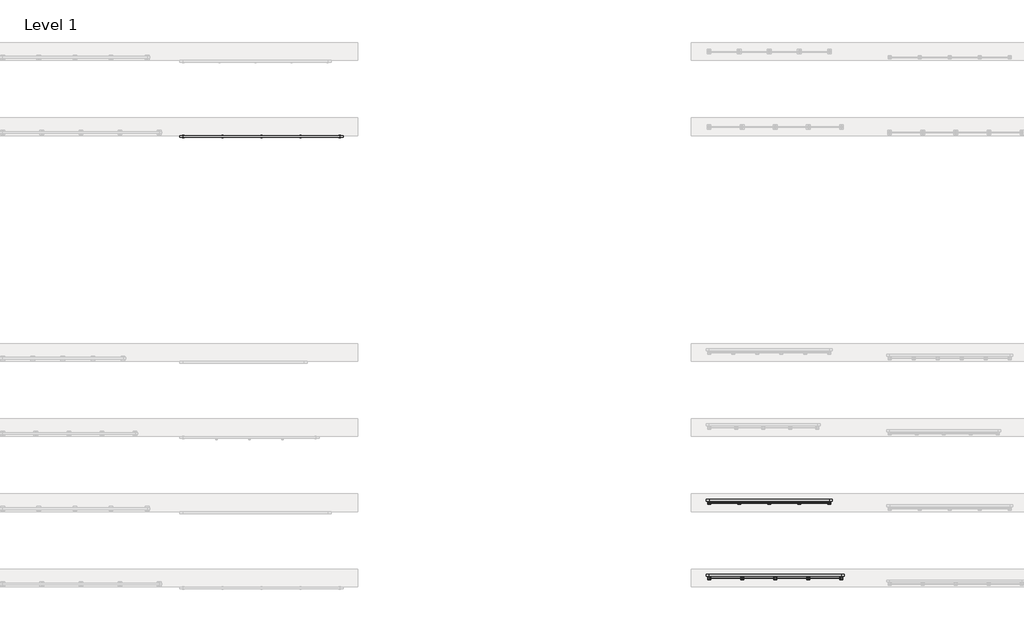
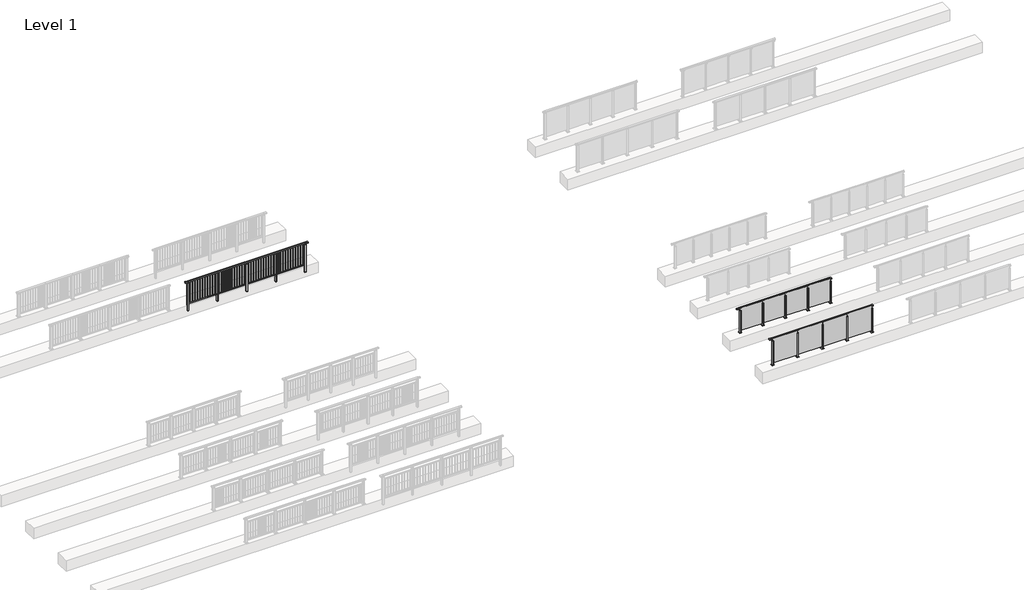
# One storey, part 9 of 38: 3 railings.
"""IFC4 building model written with IfcOpenShell, lengths in millimetres."""

from ifc_helpers import new_model, si_unit, point, frame, frame_2d, origin, origin_with_axes, place, context, project, spatial, polyline, circle_curve, trimmed, segment, composite_curve, outline, extrude, faceted_brep, element, save

model = new_model("IFC4")

# Units and contexts
model_context = context("Model", 3, world=origin())
ifc_project = project(units=[si_unit("LENGTHUNIT", "METRE", prefix="MILLI")], contexts=[model_context])

# Site, building, storey
site = spatial("IfcSite", under=ifc_project)
building = spatial("IfcBuilding", under=site)
storey = spatial("IfcBuildingStorey", under=building, Name="Level 1", Elevation=0.0)

# Railings
placement = place(None, origin())
element("IfcRailing", 1, at=placement, inside=storey, context=model_context, shape_type="SolidModel", body=[
    faceted_brep([(12000.0, 14897.6846828, 1102.5), (12000.0, 14897.6846828, 1150.0), (17200.0, 14897.6846828, 1150.0), (17200.0, 14897.6846828, 1102.5), (12000.0, 14837.6846828, 1102.5), (17200.0, 14837.6846828, 1102.5), (12000.0, 14837.6846828, 1150.0), (17200.0, 14837.6846828, 1150.0), (11877.0, 14897.6846828, 1150.0), (11877.0, 14897.6846828, 1102.5), (11877.0, 14837.6846828, 1102.5), (11877.0, 14837.6846828, 1150.0), (17323.0, 14897.6846828, 1150.0), (17323.0, 14837.6846828, 1150.0), (17323.0, 14837.6846828, 1102.5), (17323.0, 14897.6846828, 1102.5)], [[[0, 1, 2, 3]], [[4, 0, 3, 5]], [[6, 4, 5, 7]], [[1, 6, 7, 2]], [[8, 9, 10, 11]], [[9, 8, 1, 0]], [[10, 9, 0, 4]], [[11, 10, 4, 6]], [[8, 11, 6, 1]], [[12, 13, 14, 15]], [[3, 2, 12, 15]], [[5, 3, 15, 14]], [[7, 5, 14, 13]], [[2, 7, 13, 12]]]),
    extrude(outline(polyline([(12000.0, 14849.6846828), (12000.0, 14885.6846828), (17200.0, 14885.6846828), (17200.0, 14849.6846828), (12000.0, 14849.6846828)])), frame((0.0, 0.0, 93.0), z_axis=(0.0, 0.0, 1.0), x_axis=(1.0, 0.0, 0.0)), (0.0, 0.0, 1.0), 32.0),
    extrude(outline(polyline([(17118.5, 14859.1846828), (17101.5, 14859.1846828), (17101.5, 14876.1846828), (17118.5, 14876.1846828), (17118.5, 14859.1846828)])), frame((0.0, 0.0, 125.0), z_axis=(0.0, 0.0, 1.0), x_axis=(1.0, 0.0, 0.0)), (0.0, 0.0, 1.0), 980.0),
    extrude(outline(polyline([(17006.5, 14859.1846828), (16989.5, 14859.1846828), (16989.5, 14876.1846828), (17006.5, 14876.1846828), (17006.5, 14859.1846828)])), frame((0.0, 0.0, 125.0), z_axis=(0.0, 0.0, 1.0), x_axis=(1.0, 0.0, 0.0)), (0.0, 0.0, 1.0), 980.0),
    extrude(outline(polyline([(16894.5, 14859.1846828), (16877.5, 14859.1846828), (16877.5, 14876.1846828), (16894.5, 14876.1846828), (16894.5, 14859.1846828)])), frame((0.0, 0.0, 125.0), z_axis=(0.0, 0.0, 1.0), x_axis=(1.0, 0.0, 0.0)), (0.0, 0.0, 1.0), 980.0),
    extrude(outline(polyline([(16782.5, 14859.1846828), (16765.5, 14859.1846828), (16765.5, 14876.1846828), (16782.5, 14876.1846828), (16782.5, 14859.1846828)])), frame((0.0, 0.0, 125.0), z_axis=(0.0, 0.0, 1.0), x_axis=(1.0, 0.0, 0.0)), (0.0, 0.0, 1.0), 980.0),
    extrude(outline(polyline([(16670.5, 14859.1846828), (16653.5, 14859.1846828), (16653.5, 14876.1846828), (16670.5, 14876.1846828), (16670.5, 14859.1846828)])), frame((0.0, 0.0, 125.0), z_axis=(0.0, 0.0, 1.0), x_axis=(1.0, 0.0, 0.0)), (0.0, 0.0, 1.0), 980.0),
    extrude(outline(polyline([(16558.5, 14859.1846828), (16541.5, 14859.1846828), (16541.5, 14876.1846828), (16558.5, 14876.1846828), (16558.5, 14859.1846828)])), frame((0.0, 0.0, 125.0), z_axis=(0.0, 0.0, 1.0), x_axis=(1.0, 0.0, 0.0)), (0.0, 0.0, 1.0), 980.0),
    extrude(outline(polyline([(16446.5, 14859.1846828), (16429.5, 14859.1846828), (16429.5, 14876.1846828), (16446.5, 14876.1846828), (16446.5, 14859.1846828)])), frame((0.0, 0.0, 125.0), z_axis=(0.0, 0.0, 1.0), x_axis=(1.0, 0.0, 0.0)), (0.0, 0.0, 1.0), 980.0),
    extrude(outline(polyline([(16334.5, 14859.1846828), (16317.5, 14859.1846828), (16317.5, 14876.1846828), (16334.5, 14876.1846828), (16334.5, 14859.1846828)])), frame((0.0, 0.0, 125.0), z_axis=(0.0, 0.0, 1.0), x_axis=(1.0, 0.0, 0.0)), (0.0, 0.0, 1.0), 980.0),
    extrude(outline(polyline([(16222.5, 14859.1846828), (16205.5, 14859.1846828), (16205.5, 14876.1846828), (16222.5, 14876.1846828), (16222.5, 14859.1846828)])), frame((0.0, 0.0, 125.0), z_axis=(0.0, 0.0, 1.0), x_axis=(1.0, 0.0, 0.0)), (0.0, 0.0, 1.0), 980.0),
    extrude(outline(polyline([(16110.5, 14859.1846828), (16093.5, 14859.1846828), (16093.5, 14876.1846828), (16110.5, 14876.1846828), (16110.5, 14859.1846828)])), frame((0.0, 0.0, 125.0), z_axis=(0.0, 0.0, 1.0), x_axis=(1.0, 0.0, 0.0)), (0.0, 0.0, 1.0), 980.0),
    extrude(outline(polyline([(15998.5, 14859.1846828), (15981.5, 14859.1846828), (15981.5, 14876.1846828), (15998.5, 14876.1846828), (15998.5, 14859.1846828)])), frame((0.0, 0.0, 125.0), z_axis=(0.0, 0.0, 1.0), x_axis=(1.0, 0.0, 0.0)), (0.0, 0.0, 1.0), 980.0),
    extrude(outline(polyline([(15927.0, 14906.6846828), (15927.0, 14828.6846828), (15873.0, 14828.6846828), (15873.0, 14906.6846828), (15927.0, 14906.6846828)])), frame((0.0, 0.0, 1077.0), z_axis=(0.0, 0.0, 1.0), x_axis=(1.0, 0.0, 0.0)), (0.0, 0.0, 1.0), 8.0),
    extrude(outline(polyline([(15927.0, 14906.6846828), (15927.0, 14828.6846828), (15873.0, 14828.6846828), (15873.0, 14906.6846828), (15927.0, 14906.6846828)])), frame((0.0, 0.0, -212.0), z_axis=(0.0, 0.0, 1.0), x_axis=(1.0, 0.0, 0.0)), (0.0, 0.0, 1.0), 1289.0),
    extrude(outline(polyline([(15910.0, 14877.6846828), (15910.0, 14857.6846828), (15890.0, 14857.6846828), (15890.0, 14877.6846828), (15910.0, 14877.6846828)])), frame((0.0, 0.0, 1085.0), z_axis=(0.0, 0.0, 1.0), x_axis=(1.0, 0.0, 0.0)), (0.0, 0.0, 1.0), 20.0),
    extrude(outline(polyline([(15927.0, 14906.6846828), (15927.0, 14828.6846828), (15873.0, 14828.6846828), (15873.0, 14906.6846828), (15927.0, 14906.6846828)])), frame((0.0, 0.0, -220.0), z_axis=(0.0, 0.0, 1.0), x_axis=(1.0, 0.0, 0.0)), (0.0, 0.0, 1.0), 8.0),
    extrude(outline(polyline([(15818.5, 14859.1846828), (15801.5, 14859.1846828), (15801.5, 14876.1846828), (15818.5, 14876.1846828), (15818.5, 14859.1846828)])), frame((0.0, 0.0, 125.0), z_axis=(0.0, 0.0, 1.0), x_axis=(1.0, 0.0, 0.0)), (0.0, 0.0, 1.0), 980.0),
    extrude(outline(polyline([(15706.5, 14859.1846828), (15689.5, 14859.1846828), (15689.5, 14876.1846828), (15706.5, 14876.1846828), (15706.5, 14859.1846828)])), frame((0.0, 0.0, 125.0), z_axis=(0.0, 0.0, 1.0), x_axis=(1.0, 0.0, 0.0)), (0.0, 0.0, 1.0), 980.0),
    extrude(outline(polyline([(15594.5, 14859.1846828), (15577.5, 14859.1846828), (15577.5, 14876.1846828), (15594.5, 14876.1846828), (15594.5, 14859.1846828)])), frame((0.0, 0.0, 125.0), z_axis=(0.0, 0.0, 1.0), x_axis=(1.0, 0.0, 0.0)), (0.0, 0.0, 1.0), 980.0),
    extrude(outline(polyline([(15482.5, 14859.1846828), (15465.5, 14859.1846828), (15465.5, 14876.1846828), (15482.5, 14876.1846828), (15482.5, 14859.1846828)])), frame((0.0, 0.0, 125.0), z_axis=(0.0, 0.0, 1.0), x_axis=(1.0, 0.0, 0.0)), (0.0, 0.0, 1.0), 980.0),
    extrude(outline(polyline([(15370.5, 14859.1846828), (15353.5, 14859.1846828), (15353.5, 14876.1846828), (15370.5, 14876.1846828), (15370.5, 14859.1846828)])), frame((0.0, 0.0, 125.0), z_axis=(0.0, 0.0, 1.0), x_axis=(1.0, 0.0, 0.0)), (0.0, 0.0, 1.0), 980.0),
    extrude(outline(polyline([(15258.5, 14859.1846828), (15241.5, 14859.1846828), (15241.5, 14876.1846828), (15258.5, 14876.1846828), (15258.5, 14859.1846828)])), frame((0.0, 0.0, 125.0), z_axis=(0.0, 0.0, 1.0), x_axis=(1.0, 0.0, 0.0)), (0.0, 0.0, 1.0), 980.0),
    extrude(outline(polyline([(15146.5, 14859.1846828), (15129.5, 14859.1846828), (15129.5, 14876.1846828), (15146.5, 14876.1846828), (15146.5, 14859.1846828)])), frame((0.0, 0.0, 125.0), z_axis=(0.0, 0.0, 1.0), x_axis=(1.0, 0.0, 0.0)), (0.0, 0.0, 1.0), 980.0),
    extrude(outline(polyline([(15034.5, 14859.1846828), (15017.5, 14859.1846828), (15017.5, 14876.1846828), (15034.5, 14876.1846828), (15034.5, 14859.1846828)])), frame((0.0, 0.0, 125.0), z_axis=(0.0, 0.0, 1.0), x_axis=(1.0, 0.0, 0.0)), (0.0, 0.0, 1.0), 980.0),
    extrude(outline(polyline([(14922.5, 14859.1846828), (14905.5, 14859.1846828), (14905.5, 14876.1846828), (14922.5, 14876.1846828), (14922.5, 14859.1846828)])), frame((0.0, 0.0, 125.0), z_axis=(0.0, 0.0, 1.0), x_axis=(1.0, 0.0, 0.0)), (0.0, 0.0, 1.0), 980.0),
    extrude(outline(polyline([(14810.5, 14859.1846828), (14793.5, 14859.1846828), (14793.5, 14876.1846828), (14810.5, 14876.1846828), (14810.5, 14859.1846828)])), frame((0.0, 0.0, 125.0), z_axis=(0.0, 0.0, 1.0), x_axis=(1.0, 0.0, 0.0)), (0.0, 0.0, 1.0), 980.0),
    extrude(outline(polyline([(14698.5, 14859.1846828), (14681.5, 14859.1846828), (14681.5, 14876.1846828), (14698.5, 14876.1846828), (14698.5, 14859.1846828)])), frame((0.0, 0.0, 125.0), z_axis=(0.0, 0.0, 1.0), x_axis=(1.0, 0.0, 0.0)), (0.0, 0.0, 1.0), 980.0),
    extrude(outline(polyline([(14627.0, 14906.6846828), (14627.0, 14828.6846828), (14573.0, 14828.6846828), (14573.0, 14906.6846828), (14627.0, 14906.6846828)])), frame((0.0, 0.0, 1077.0), z_axis=(0.0, 0.0, 1.0), x_axis=(1.0, 0.0, 0.0)), (0.0, 0.0, 1.0), 8.0),
    extrude(outline(polyline([(14627.0, 14906.6846828), (14627.0, 14828.6846828), (14573.0, 14828.6846828), (14573.0, 14906.6846828), (14627.0, 14906.6846828)])), frame((0.0, 0.0, -212.0), z_axis=(0.0, 0.0, 1.0), x_axis=(1.0, 0.0, 0.0)), (0.0, 0.0, 1.0), 1289.0),
    extrude(outline(polyline([(14610.0, 14877.6846828), (14610.0, 14857.6846828), (14590.0, 14857.6846828), (14590.0, 14877.6846828), (14610.0, 14877.6846828)])), frame((0.0, 0.0, 1085.0), z_axis=(0.0, 0.0, 1.0), x_axis=(1.0, 0.0, 0.0)), (0.0, 0.0, 1.0), 20.0),
    extrude(outline(polyline([(14627.0, 14906.6846828), (14627.0, 14828.6846828), (14573.0, 14828.6846828), (14573.0, 14906.6846828), (14627.0, 14906.6846828)])), frame((0.0, 0.0, -220.0), z_axis=(0.0, 0.0, 1.0), x_axis=(1.0, 0.0, 0.0)), (0.0, 0.0, 1.0), 8.0),
    extrude(outline(polyline([(14518.5, 14859.1846828), (14501.5, 14859.1846828), (14501.5, 14876.1846828), (14518.5, 14876.1846828), (14518.5, 14859.1846828)])), frame((0.0, 0.0, 125.0), z_axis=(0.0, 0.0, 1.0), x_axis=(1.0, 0.0, 0.0)), (0.0, 0.0, 1.0), 980.0),
    extrude(outline(polyline([(14406.5, 14859.1846828), (14389.5, 14859.1846828), (14389.5, 14876.1846828), (14406.5, 14876.1846828), (14406.5, 14859.1846828)])), frame((0.0, 0.0, 125.0), z_axis=(0.0, 0.0, 1.0), x_axis=(1.0, 0.0, 0.0)), (0.0, 0.0, 1.0), 980.0),
    extrude(outline(polyline([(14294.5, 14859.1846828), (14277.5, 14859.1846828), (14277.5, 14876.1846828), (14294.5, 14876.1846828), (14294.5, 14859.1846828)])), frame((0.0, 0.0, 125.0), z_axis=(0.0, 0.0, 1.0), x_axis=(1.0, 0.0, 0.0)), (0.0, 0.0, 1.0), 980.0),
    extrude(outline(polyline([(14182.5, 14859.1846828), (14165.5, 14859.1846828), (14165.5, 14876.1846828), (14182.5, 14876.1846828), (14182.5, 14859.1846828)])), frame((0.0, 0.0, 125.0), z_axis=(0.0, 0.0, 1.0), x_axis=(1.0, 0.0, 0.0)), (0.0, 0.0, 1.0), 980.0),
    extrude(outline(polyline([(14070.5, 14859.1846828), (14053.5, 14859.1846828), (14053.5, 14876.1846828), (14070.5, 14876.1846828), (14070.5, 14859.1846828)])), frame((0.0, 0.0, 125.0), z_axis=(0.0, 0.0, 1.0), x_axis=(1.0, 0.0, 0.0)), (0.0, 0.0, 1.0), 980.0),
    extrude(outline(polyline([(13958.5, 14859.1846828), (13941.5, 14859.1846828), (13941.5, 14876.1846828), (13958.5, 14876.1846828), (13958.5, 14859.1846828)])), frame((0.0, 0.0, 125.0), z_axis=(0.0, 0.0, 1.0), x_axis=(1.0, 0.0, 0.0)), (0.0, 0.0, 1.0), 980.0),
    extrude(outline(polyline([(13846.5, 14859.1846828), (13829.5, 14859.1846828), (13829.5, 14876.1846828), (13846.5, 14876.1846828), (13846.5, 14859.1846828)])), frame((0.0, 0.0, 125.0), z_axis=(0.0, 0.0, 1.0), x_axis=(1.0, 0.0, 0.0)), (0.0, 0.0, 1.0), 980.0),
    extrude(outline(polyline([(13734.5, 14859.1846828), (13717.5, 14859.1846828), (13717.5, 14876.1846828), (13734.5, 14876.1846828), (13734.5, 14859.1846828)])), frame((0.0, 0.0, 125.0), z_axis=(0.0, 0.0, 1.0), x_axis=(1.0, 0.0, 0.0)), (0.0, 0.0, 1.0), 980.0),
    extrude(outline(polyline([(13622.5, 14859.1846828), (13605.5, 14859.1846828), (13605.5, 14876.1846828), (13622.5, 14876.1846828), (13622.5, 14859.1846828)])), frame((0.0, 0.0, 125.0), z_axis=(0.0, 0.0, 1.0), x_axis=(1.0, 0.0, 0.0)), (0.0, 0.0, 1.0), 980.0),
    extrude(outline(polyline([(13510.5, 14859.1846828), (13493.5, 14859.1846828), (13493.5, 14876.1846828), (13510.5, 14876.1846828), (13510.5, 14859.1846828)])), frame((0.0, 0.0, 125.0), z_axis=(0.0, 0.0, 1.0), x_axis=(1.0, 0.0, 0.0)), (0.0, 0.0, 1.0), 980.0),
    extrude(outline(polyline([(13398.5, 14859.1846828), (13381.5, 14859.1846828), (13381.5, 14876.1846828), (13398.5, 14876.1846828), (13398.5, 14859.1846828)])), frame((0.0, 0.0, 125.0), z_axis=(0.0, 0.0, 1.0), x_axis=(1.0, 0.0, 0.0)), (0.0, 0.0, 1.0), 980.0),
    extrude(outline(polyline([(13327.0, 14906.6846828), (13327.0, 14828.6846828), (13273.0, 14828.6846828), (13273.0, 14906.6846828), (13327.0, 14906.6846828)])), frame((0.0, 0.0, 1077.0), z_axis=(0.0, 0.0, 1.0), x_axis=(1.0, 0.0, 0.0)), (0.0, 0.0, 1.0), 8.0),
    extrude(outline(polyline([(13327.0, 14906.6846828), (13327.0, 14828.6846828), (13273.0, 14828.6846828), (13273.0, 14906.6846828), (13327.0, 14906.6846828)])), frame((0.0, 0.0, -212.0), z_axis=(0.0, 0.0, 1.0), x_axis=(1.0, 0.0, 0.0)), (0.0, 0.0, 1.0), 1289.0),
    extrude(outline(polyline([(13310.0, 14877.6846828), (13310.0, 14857.6846828), (13290.0, 14857.6846828), (13290.0, 14877.6846828), (13310.0, 14877.6846828)])), frame((0.0, 0.0, 1085.0), z_axis=(0.0, 0.0, 1.0), x_axis=(1.0, 0.0, 0.0)), (0.0, 0.0, 1.0), 20.0),
    extrude(outline(polyline([(13327.0, 14906.6846828), (13327.0, 14828.6846828), (13273.0, 14828.6846828), (13273.0, 14906.6846828), (13327.0, 14906.6846828)])), frame((0.0, 0.0, -220.0), z_axis=(0.0, 0.0, 1.0), x_axis=(1.0, 0.0, 0.0)), (0.0, 0.0, 1.0), 8.0),
    extrude(outline(polyline([(13218.5, 14859.1846828), (13201.5, 14859.1846828), (13201.5, 14876.1846828), (13218.5, 14876.1846828), (13218.5, 14859.1846828)])), frame((0.0, 0.0, 125.0), z_axis=(0.0, 0.0, 1.0), x_axis=(1.0, 0.0, 0.0)), (0.0, 0.0, 1.0), 980.0),
    extrude(outline(polyline([(13106.5, 14859.1846828), (13089.5, 14859.1846828), (13089.5, 14876.1846828), (13106.5, 14876.1846828), (13106.5, 14859.1846828)])), frame((0.0, 0.0, 125.0), z_axis=(0.0, 0.0, 1.0), x_axis=(1.0, 0.0, 0.0)), (0.0, 0.0, 1.0), 980.0),
    extrude(outline(polyline([(12994.5, 14859.1846828), (12977.5, 14859.1846828), (12977.5, 14876.1846828), (12994.5, 14876.1846828), (12994.5, 14859.1846828)])), frame((0.0, 0.0, 125.0), z_axis=(0.0, 0.0, 1.0), x_axis=(1.0, 0.0, 0.0)), (0.0, 0.0, 1.0), 980.0),
    extrude(outline(polyline([(12882.5, 14859.1846828), (12865.5, 14859.1846828), (12865.5, 14876.1846828), (12882.5, 14876.1846828), (12882.5, 14859.1846828)])), frame((0.0, 0.0, 125.0), z_axis=(0.0, 0.0, 1.0), x_axis=(1.0, 0.0, 0.0)), (0.0, 0.0, 1.0), 980.0),
    extrude(outline(polyline([(12770.5, 14859.1846828), (12753.5, 14859.1846828), (12753.5, 14876.1846828), (12770.5, 14876.1846828), (12770.5, 14859.1846828)])), frame((0.0, 0.0, 125.0), z_axis=(0.0, 0.0, 1.0), x_axis=(1.0, 0.0, 0.0)), (0.0, 0.0, 1.0), 980.0),
    extrude(outline(polyline([(12658.5, 14859.1846828), (12641.5, 14859.1846828), (12641.5, 14876.1846828), (12658.5, 14876.1846828), (12658.5, 14859.1846828)])), frame((0.0, 0.0, 125.0), z_axis=(0.0, 0.0, 1.0), x_axis=(1.0, 0.0, 0.0)), (0.0, 0.0, 1.0), 980.0),
    extrude(outline(polyline([(12546.5, 14859.1846828), (12529.5, 14859.1846828), (12529.5, 14876.1846828), (12546.5, 14876.1846828), (12546.5, 14859.1846828)])), frame((0.0, 0.0, 125.0), z_axis=(0.0, 0.0, 1.0), x_axis=(1.0, 0.0, 0.0)), (0.0, 0.0, 1.0), 980.0),
    extrude(outline(polyline([(12434.5, 14859.1846828), (12417.5, 14859.1846828), (12417.5, 14876.1846828), (12434.5, 14876.1846828), (12434.5, 14859.1846828)])), frame((0.0, 0.0, 125.0), z_axis=(0.0, 0.0, 1.0), x_axis=(1.0, 0.0, 0.0)), (0.0, 0.0, 1.0), 980.0),
    extrude(outline(polyline([(12322.5, 14859.1846828), (12305.5, 14859.1846828), (12305.5, 14876.1846828), (12322.5, 14876.1846828), (12322.5, 14859.1846828)])), frame((0.0, 0.0, 125.0), z_axis=(0.0, 0.0, 1.0), x_axis=(1.0, 0.0, 0.0)), (0.0, 0.0, 1.0), 980.0),
    extrude(outline(polyline([(12210.5, 14859.1846828), (12193.5, 14859.1846828), (12193.5, 14876.1846828), (12210.5, 14876.1846828), (12210.5, 14859.1846828)])), frame((0.0, 0.0, 125.0), z_axis=(0.0, 0.0, 1.0), x_axis=(1.0, 0.0, 0.0)), (0.0, 0.0, 1.0), 980.0),
    extrude(outline(polyline([(12098.5, 14859.1846828), (12081.5, 14859.1846828), (12081.5, 14876.1846828), (12098.5, 14876.1846828), (12098.5, 14859.1846828)])), frame((0.0, 0.0, 125.0), z_axis=(0.0, 0.0, 1.0), x_axis=(1.0, 0.0, 0.0)), (0.0, 0.0, 1.0), 980.0),
    extrude(outline(polyline([(17227.0, 14906.6846828), (17227.0, 14828.6846828), (17173.0, 14828.6846828), (17173.0, 14906.6846828), (17227.0, 14906.6846828)])), frame((0.0, 0.0, 1077.0), z_axis=(0.0, 0.0, 1.0), x_axis=(1.0, 0.0, 0.0)), (0.0, 0.0, 1.0), 8.0),
    extrude(outline(polyline([(17227.0, 14906.6846828), (17227.0, 14828.6846828), (17173.0, 14828.6846828), (17173.0, 14906.6846828), (17227.0, 14906.6846828)])), frame((0.0, 0.0, -212.0), z_axis=(0.0, 0.0, 1.0), x_axis=(1.0, 0.0, 0.0)), (0.0, 0.0, 1.0), 1289.0),
    extrude(outline(polyline([(17210.0, 14877.6846828), (17210.0, 14857.6846828), (17190.0, 14857.6846828), (17190.0, 14877.6846828), (17210.0, 14877.6846828)])), frame((0.0, 0.0, 1085.0), z_axis=(0.0, 0.0, 1.0), x_axis=(1.0, 0.0, 0.0)), (0.0, 0.0, 1.0), 20.0),
    extrude(outline(polyline([(17227.0, 14906.6846828), (17227.0, 14828.6846828), (17173.0, 14828.6846828), (17173.0, 14906.6846828), (17227.0, 14906.6846828)])), frame((0.0, 0.0, -220.0), z_axis=(0.0, 0.0, 1.0), x_axis=(1.0, 0.0, 0.0)), (0.0, 0.0, 1.0), 8.0),
    extrude(outline(polyline([(12027.0, 14906.6846828), (12027.0, 14828.6846828), (11973.0, 14828.6846828), (11973.0, 14906.6846828), (12027.0, 14906.6846828)])), frame((0.0, 0.0, 1077.0), z_axis=(0.0, 0.0, 1.0), x_axis=(1.0, 0.0, 0.0)), (0.0, 0.0, 1.0), 8.0),
    extrude(outline(polyline([(12027.0, 14906.6846828), (12027.0, 14828.6846828), (11973.0, 14828.6846828), (11973.0, 14906.6846828), (12027.0, 14906.6846828)])), frame((0.0, 0.0, -212.0), z_axis=(0.0, 0.0, 1.0), x_axis=(1.0, 0.0, 0.0)), (0.0, 0.0, 1.0), 1289.0),
    extrude(outline(polyline([(12010.0, 14877.6846828), (12010.0, 14857.6846828), (11990.0, 14857.6846828), (11990.0, 14877.6846828), (12010.0, 14877.6846828)])), frame((0.0, 0.0, 1085.0), z_axis=(0.0, 0.0, 1.0), x_axis=(1.0, 0.0, 0.0)), (0.0, 0.0, 1.0), 20.0),
    extrude(outline(polyline([(12027.0, 14906.6846828), (12027.0, 14828.6846828), (11973.0, 14828.6846828), (11973.0, 14906.6846828), (12027.0, 14906.6846828)])), frame((0.0, 0.0, -220.0), z_axis=(0.0, 0.0, 1.0), x_axis=(1.0, 0.0, 0.0)), (0.0, 0.0, 1.0), 8.0),
])
element("IfcRailing", 2, at=placement, inside=storey, context=model_context, shape_type="SolidModel", body=[
    faceted_brep([(29476.1884576, 315.6846828, 1152.5), (29476.1884576, 315.6846828, 1200.0), (33876.1884576, 315.6846828, 1200.0), (33876.1884576, 315.6846828, 1152.5), (29476.1884576, 255.6846828, 1152.5), (33876.1884576, 255.6846828, 1152.5), (29476.1884576, 255.6846828, 1200.0), (33876.1884576, 255.6846828, 1200.0), (29376.1884576, 315.6846828, 1200.0), (29376.1884576, 315.6846828, 1152.5), (29376.1884576, 255.6846828, 1152.5), (29376.1884576, 255.6846828, 1200.0), (33976.1884576, 315.6846828, 1200.0), (33976.1884576, 255.6846828, 1200.0), (33976.1884576, 255.6846828, 1152.5), (33976.1884576, 315.6846828, 1152.5)], [[[0, 1, 2, 3]], [[4, 0, 3, 5]], [[6, 4, 5, 7]], [[1, 6, 7, 2]], [[8, 9, 10, 11]], [[9, 8, 1, 0]], [[10, 9, 0, 4]], [[11, 10, 4, 6]], [[8, 11, 6, 1]], [[12, 13, 14, 15]], [[3, 2, 12, 15]], [[5, 3, 15, 14]], [[7, 5, 14, 13]], [[2, 7, 13, 12]]]),
    extrude(outline(polyline([(32786.1884576, 184.4094929), (32786.1884576, 194.4094929), (33866.1884576, 194.4094929), (33866.1884576, 184.4094929), (32786.1884576, 184.4094929)])), frame((0.0, 0.0, 95.0), z_axis=(0.0, 0.0, 1.0), x_axis=(1.0, 0.0, 0.0)), (0.0, 0.0, 1.0), 1155.0),
    extrude(outline(composite_curve([segment(polyline([(310.6846828, 1185.0), (310.6846828, 1160.900037)]), True, "CONTINUOUS"), segment(trimmed(circle_curve(frame_2d((300.6846828, 1160.900037)), 10.0), [point((310.6846828, 1160.900037))], [point((303.2728733, 1151.2407787))], False, "CARTESIAN"), True, "CONTINUOUS"), segment(polyline([(303.2728733, 1151.2407787), (246.2244733, 1135.9547061)]), True, "CONTINUOUS"), segment(trimmed(circle_curve(frame_2d((248.8126638, 1126.2954478)), 10.0), [point((246.2244733, 1135.9547061))], [point((238.8982152, 1127.6007097))], True, "CARTESIAN"), True, "CONTINUOUS"), segment(polyline([(238.8982152, 1127.6007097), (234.291393, 1092.6084214)]), True, "CONTINUOUS"), segment(trimmed(circle_curve(frame_2d((231.3170584, 1093.0)), 3.0), [point((234.291393, 1092.6084214))], [point((231.3170584, 1090.0))], False, "CARTESIAN"), True, "CONTINUOUS"), segment(polyline([(231.3170584, 1090.0), (222.6846828, 1090.0), (222.6846828, 1140.0), (286.6846828, 1157.1487483), (286.6846828, 1185.0), (310.6846828, 1185.0)]), True, "CONTINUOUS")], self_intersect=False)), frame((32763.6884576, 0.0, 0.0), z_axis=(1.0, 0.0, 0.0), x_axis=(0.0, 1.0, 0.0)), (0.0, 0.0, 1.0), 25.0),
    extrude(outline(polyline([(32798.6884576, 222.6846828), (32798.6884576, 157.6846828), (32753.6884576, 157.6846828), (32753.6884576, 222.6846828), (32798.6884576, 222.6846828)])), frame((0.0, 0.0, 1140.0), z_axis=(0.0, 0.0, 1.0), x_axis=(1.0, 0.0, 0.0)), (0.0, 0.0, 1.0), 5.0),
    extrude(outline(polyline([(32826.1884576, 240.1846828), (32826.1884576, 140.1846828), (32726.1884576, 140.1846828), (32726.1884576, 240.1846828), (32826.1884576, 240.1846828)])), origin_with_axes(), (0.0, 0.0, 1.0), 12.0),
    extrude(outline(polyline([(32798.6884576, 222.6846828), (32798.6884576, 157.6846828), (32753.6884576, 157.6846828), (32753.6884576, 222.6846828), (32798.6884576, 222.6846828)])), frame((0.0, 0.0, 12.0), z_axis=(0.0, 0.0, 1.0), x_axis=(1.0, 0.0, 0.0)), (0.0, 0.0, 1.0), 1128.0),
    extrude(outline(polyline([(31686.1884576, 184.4094929), (31686.1884576, 194.4094929), (32766.1884576, 194.4094929), (32766.1884576, 184.4094929), (31686.1884576, 184.4094929)])), frame((0.0, 0.0, 95.0), z_axis=(0.0, 0.0, 1.0), x_axis=(1.0, 0.0, 0.0)), (0.0, 0.0, 1.0), 1155.0),
    extrude(outline(composite_curve([segment(polyline([(310.6846828, 1185.0), (310.6846828, 1160.900037)]), True, "CONTINUOUS"), segment(trimmed(circle_curve(frame_2d((300.6846828, 1160.900037)), 10.0), [point((310.6846828, 1160.900037))], [point((303.2728733, 1151.2407787))], False, "CARTESIAN"), True, "CONTINUOUS"), segment(polyline([(303.2728733, 1151.2407787), (246.2244733, 1135.9547061)]), True, "CONTINUOUS"), segment(trimmed(circle_curve(frame_2d((248.8126638, 1126.2954478)), 10.0), [point((246.2244733, 1135.9547061))], [point((238.8982152, 1127.6007097))], True, "CARTESIAN"), True, "CONTINUOUS"), segment(polyline([(238.8982152, 1127.6007097), (234.291393, 1092.6084214)]), True, "CONTINUOUS"), segment(trimmed(circle_curve(frame_2d((231.3170584, 1093.0)), 3.0), [point((234.291393, 1092.6084214))], [point((231.3170584, 1090.0))], False, "CARTESIAN"), True, "CONTINUOUS"), segment(polyline([(231.3170584, 1090.0), (222.6846828, 1090.0), (222.6846828, 1140.0), (286.6846828, 1157.1487483), (286.6846828, 1185.0), (310.6846828, 1185.0)]), True, "CONTINUOUS")], self_intersect=False)), frame((31663.6884576, 0.0, 0.0), z_axis=(1.0, 0.0, 0.0), x_axis=(0.0, 1.0, 0.0)), (0.0, 0.0, 1.0), 25.0),
    extrude(outline(polyline([(31698.6884576, 222.6846828), (31698.6884576, 157.6846828), (31653.6884576, 157.6846828), (31653.6884576, 222.6846828), (31698.6884576, 222.6846828)])), frame((0.0, 0.0, 1140.0), z_axis=(0.0, 0.0, 1.0), x_axis=(1.0, 0.0, 0.0)), (0.0, 0.0, 1.0), 5.0),
    extrude(outline(polyline([(31726.1884576, 240.1846828), (31726.1884576, 140.1846828), (31626.1884576, 140.1846828), (31626.1884576, 240.1846828), (31726.1884576, 240.1846828)])), origin_with_axes(), (0.0, 0.0, 1.0), 12.0),
    extrude(outline(polyline([(31698.6884576, 222.6846828), (31698.6884576, 157.6846828), (31653.6884576, 157.6846828), (31653.6884576, 222.6846828), (31698.6884576, 222.6846828)])), frame((0.0, 0.0, 12.0), z_axis=(0.0, 0.0, 1.0), x_axis=(1.0, 0.0, 0.0)), (0.0, 0.0, 1.0), 1128.0),
    extrude(outline(polyline([(30586.1884576, 184.4094929), (30586.1884576, 194.4094929), (31666.1884576, 194.4094929), (31666.1884576, 184.4094929), (30586.1884576, 184.4094929)])), frame((0.0, 0.0, 95.0), z_axis=(0.0, 0.0, 1.0), x_axis=(1.0, 0.0, 0.0)), (0.0, 0.0, 1.0), 1155.0),
    extrude(outline(composite_curve([segment(polyline([(310.6846828, 1185.0), (310.6846828, 1160.900037)]), True, "CONTINUOUS"), segment(trimmed(circle_curve(frame_2d((300.6846828, 1160.900037)), 10.0), [point((310.6846828, 1160.900037))], [point((303.2728733, 1151.2407787))], False, "CARTESIAN"), True, "CONTINUOUS"), segment(polyline([(303.2728733, 1151.2407787), (246.2244733, 1135.9547061)]), True, "CONTINUOUS"), segment(trimmed(circle_curve(frame_2d((248.8126638, 1126.2954478)), 10.0), [point((246.2244733, 1135.9547061))], [point((238.8982152, 1127.6007097))], True, "CARTESIAN"), True, "CONTINUOUS"), segment(polyline([(238.8982152, 1127.6007097), (234.291393, 1092.6084214)]), True, "CONTINUOUS"), segment(trimmed(circle_curve(frame_2d((231.3170584, 1093.0)), 3.0), [point((234.291393, 1092.6084214))], [point((231.3170584, 1090.0))], False, "CARTESIAN"), True, "CONTINUOUS"), segment(polyline([(231.3170584, 1090.0), (222.6846828, 1090.0), (222.6846828, 1140.0), (286.6846828, 1157.1487483), (286.6846828, 1185.0), (310.6846828, 1185.0)]), True, "CONTINUOUS")], self_intersect=False)), frame((30563.6884576, 0.0, 0.0), z_axis=(1.0, 0.0, 0.0), x_axis=(0.0, 1.0, 0.0)), (0.0, 0.0, 1.0), 25.0),
    extrude(outline(polyline([(30598.6884576, 222.6846828), (30598.6884576, 157.6846828), (30553.6884576, 157.6846828), (30553.6884576, 222.6846828), (30598.6884576, 222.6846828)])), frame((0.0, 0.0, 1140.0), z_axis=(0.0, 0.0, 1.0), x_axis=(1.0, 0.0, 0.0)), (0.0, 0.0, 1.0), 5.0),
    extrude(outline(polyline([(30626.1884576, 240.1846828), (30626.1884576, 140.1846828), (30526.1884576, 140.1846828), (30526.1884576, 240.1846828), (30626.1884576, 240.1846828)])), origin_with_axes(), (0.0, 0.0, 1.0), 12.0),
    extrude(outline(polyline([(30598.6884576, 222.6846828), (30598.6884576, 157.6846828), (30553.6884576, 157.6846828), (30553.6884576, 222.6846828), (30598.6884576, 222.6846828)])), frame((0.0, 0.0, 12.0), z_axis=(0.0, 0.0, 1.0), x_axis=(1.0, 0.0, 0.0)), (0.0, 0.0, 1.0), 1128.0),
    extrude(outline(polyline([(29486.1884576, 184.4094929), (29486.1884576, 194.4094929), (30566.1884576, 194.4094929), (30566.1884576, 184.4094929), (29486.1884576, 184.4094929)])), frame((0.0, 0.0, 95.0), z_axis=(0.0, 0.0, 1.0), x_axis=(1.0, 0.0, 0.0)), (0.0, 0.0, 1.0), 1155.0),
    extrude(outline(composite_curve([segment(polyline([(310.6846828, 1185.0), (310.6846828, 1160.900037)]), True, "CONTINUOUS"), segment(trimmed(circle_curve(frame_2d((300.6846828, 1160.900037)), 10.0), [point((310.6846828, 1160.900037))], [point((303.2728733, 1151.2407787))], False, "CARTESIAN"), True, "CONTINUOUS"), segment(polyline([(303.2728733, 1151.2407787), (246.2244733, 1135.9547061)]), True, "CONTINUOUS"), segment(trimmed(circle_curve(frame_2d((248.8126638, 1126.2954478)), 10.0), [point((246.2244733, 1135.9547061))], [point((238.8982152, 1127.6007097))], True, "CARTESIAN"), True, "CONTINUOUS"), segment(polyline([(238.8982152, 1127.6007097), (234.291393, 1092.6084214)]), True, "CONTINUOUS"), segment(trimmed(circle_curve(frame_2d((231.3170584, 1093.0)), 3.0), [point((234.291393, 1092.6084214))], [point((231.3170584, 1090.0))], False, "CARTESIAN"), True, "CONTINUOUS"), segment(polyline([(231.3170584, 1090.0), (222.6846828, 1090.0), (222.6846828, 1140.0), (286.6846828, 1157.1487483), (286.6846828, 1185.0), (310.6846828, 1185.0)]), True, "CONTINUOUS")], self_intersect=False)), frame((33863.6884576, 0.0, 0.0), z_axis=(1.0, 0.0, 0.0), x_axis=(0.0, 1.0, 0.0)), (0.0, 0.0, 1.0), 25.0),
    extrude(outline(polyline([(33898.6884576, 222.6846828), (33898.6884576, 157.6846828), (33853.6884576, 157.6846828), (33853.6884576, 222.6846828), (33898.6884576, 222.6846828)])), frame((0.0, 0.0, 1140.0), z_axis=(0.0, 0.0, 1.0), x_axis=(1.0, 0.0, 0.0)), (0.0, 0.0, 1.0), 5.0),
    extrude(outline(polyline([(33926.1884576, 240.1846828), (33926.1884576, 140.1846828), (33826.1884576, 140.1846828), (33826.1884576, 240.1846828), (33926.1884576, 240.1846828)])), origin_with_axes(), (0.0, 0.0, 1.0), 12.0),
    extrude(outline(polyline([(33898.6884576, 222.6846828), (33898.6884576, 157.6846828), (33853.6884576, 157.6846828), (33853.6884576, 222.6846828), (33898.6884576, 222.6846828)])), frame((0.0, 0.0, 12.0), z_axis=(0.0, 0.0, 1.0), x_axis=(1.0, 0.0, 0.0)), (0.0, 0.0, 1.0), 1128.0),
    extrude(outline(composite_curve([segment(polyline([(310.6846828, 1185.0), (310.6846828, 1160.900037)]), True, "CONTINUOUS"), segment(trimmed(circle_curve(frame_2d((300.6846828, 1160.900037)), 10.0), [point((310.6846828, 1160.900037))], [point((303.2728733, 1151.2407787))], False, "CARTESIAN"), True, "CONTINUOUS"), segment(polyline([(303.2728733, 1151.2407787), (246.2244733, 1135.9547061)]), True, "CONTINUOUS"), segment(trimmed(circle_curve(frame_2d((248.8126638, 1126.2954478)), 10.0), [point((246.2244733, 1135.9547061))], [point((238.8982152, 1127.6007097))], True, "CARTESIAN"), True, "CONTINUOUS"), segment(polyline([(238.8982152, 1127.6007097), (234.291393, 1092.6084214)]), True, "CONTINUOUS"), segment(trimmed(circle_curve(frame_2d((231.3170584, 1093.0)), 3.0), [point((234.291393, 1092.6084214))], [point((231.3170584, 1090.0))], False, "CARTESIAN"), True, "CONTINUOUS"), segment(polyline([(231.3170584, 1090.0), (222.6846828, 1090.0), (222.6846828, 1140.0), (286.6846828, 1157.1487483), (286.6846828, 1185.0), (310.6846828, 1185.0)]), True, "CONTINUOUS")], self_intersect=False)), frame((29463.6884576, 0.0, 0.0), z_axis=(1.0, 0.0, 0.0), x_axis=(0.0, 1.0, 0.0)), (0.0, 0.0, 1.0), 25.0),
    extrude(outline(polyline([(29498.6884576, 222.6846828), (29498.6884576, 157.6846828), (29453.6884576, 157.6846828), (29453.6884576, 222.6846828), (29498.6884576, 222.6846828)])), frame((0.0, 0.0, 1140.0), z_axis=(0.0, 0.0, 1.0), x_axis=(1.0, 0.0, 0.0)), (0.0, 0.0, 1.0), 5.0),
    extrude(outline(polyline([(29526.1884576, 240.1846828), (29526.1884576, 140.1846828), (29426.1884576, 140.1846828), (29426.1884576, 240.1846828), (29526.1884576, 240.1846828)])), origin_with_axes(), (0.0, 0.0, 1.0), 12.0),
    extrude(outline(polyline([(29498.6884576, 222.6846828), (29498.6884576, 157.6846828), (29453.6884576, 157.6846828), (29453.6884576, 222.6846828), (29498.6884576, 222.6846828)])), frame((0.0, 0.0, 12.0), z_axis=(0.0, 0.0, 1.0), x_axis=(1.0, 0.0, 0.0)), (0.0, 0.0, 1.0), 1128.0),
])
element("IfcRailing", 3, at=placement, inside=storey, context=model_context, shape_type="SolidModel", body=[
    faceted_brep([(29376.1884576, 2815.6846828, 1100.0), (29376.1884576, 2815.6846828, 1052.5), (29376.1884576, 2755.6846828, 1052.5), (29376.1884576, 2755.6846828, 1100.0), (29476.1884576, 2815.6846828, 1100.0), (29476.1884576, 2815.6846828, 1052.5), (29476.1884576, 2755.6846828, 1052.5), (29476.1884576, 2755.6846828, 1100.0), (33476.1884576, 2815.6846828, 1100.0), (33476.1884576, 2815.6846828, 1052.5), (33476.1884576, 2755.6846828, 1052.5), (33476.1884576, 2755.6846828, 1100.0), (33576.1884576, 2815.6846828, 1100.0), (33576.1884576, 2755.6846828, 1100.0), (33576.1884576, 2755.6846828, 1052.5), (33576.1884576, 2815.6846828, 1052.5)], [[[0, 1, 2, 3]], [[1, 0, 4, 5]], [[2, 1, 5, 6]], [[3, 2, 6, 7]], [[0, 3, 7, 4]], [[5, 4, 8, 9]], [[6, 5, 9, 10]], [[7, 6, 10, 11]], [[4, 7, 11, 8]], [[12, 13, 14, 15]], [[9, 8, 12, 15]], [[10, 9, 15, 14]], [[11, 10, 14, 13]], [[8, 11, 13, 12]]]),
    extrude(outline(polyline([(32486.1884576, 2689.4094929), (32486.1884576, 2699.4094929), (33466.1884576, 2699.4094929), (33466.1884576, 2689.4094929), (32486.1884576, 2689.4094929)])), frame((0.0, 0.0, 95.0), z_axis=(0.0, 0.0, 1.0), x_axis=(1.0, 0.0, 0.0)), (0.0, 0.0, 1.0), 1055.0),
    extrude(outline(composite_curve([segment(polyline([(2810.6846828, 1085.0), (2810.6846828, 1060.900037)]), True, "CONTINUOUS"), segment(trimmed(circle_curve(frame_2d((2800.6846828, 1060.900037)), 10.0), [point((2810.6846828, 1060.900037))], [point((2803.2728733, 1051.2407787))], False, "CARTESIAN"), True, "CONTINUOUS"), segment(polyline([(2803.2728733, 1051.2407787), (2746.2244733, 1035.9547061)]), True, "CONTINUOUS"), segment(trimmed(circle_curve(frame_2d((2748.8126638, 1026.2954478)), 10.0), [point((2746.2244733, 1035.9547061))], [point((2738.8982152, 1027.6007097))], True, "CARTESIAN"), True, "CONTINUOUS"), segment(polyline([(2738.8982152, 1027.6007097), (2734.291393, 992.6084214)]), True, "CONTINUOUS"), segment(trimmed(circle_curve(frame_2d((2731.3170584, 993.0)), 3.0), [point((2734.291393, 992.6084214))], [point((2731.3170584, 990.0))], False, "CARTESIAN"), True, "CONTINUOUS"), segment(polyline([(2731.3170584, 990.0), (2722.6846828, 990.0), (2722.6846828, 1040.0), (2786.6846828, 1057.1487483), (2786.6846828, 1085.0), (2810.6846828, 1085.0)]), True, "CONTINUOUS")], self_intersect=False)), frame((32463.6884576, 0.0, 0.0), z_axis=(1.0, 0.0, 0.0), x_axis=(0.0, 1.0, 0.0)), (0.0, 0.0, 1.0), 25.0),
    extrude(outline(polyline([(32498.6884576, 2722.6846828), (32498.6884576, 2657.6846828), (32453.6884576, 2657.6846828), (32453.6884576, 2722.6846828), (32498.6884576, 2722.6846828)])), frame((0.0, 0.0, 1040.0), z_axis=(0.0, 0.0, 1.0), x_axis=(1.0, 0.0, 0.0)), (0.0, 0.0, 1.0), 5.0),
    extrude(outline(polyline([(32526.1884576, 2740.1846828), (32526.1884576, 2640.1846828), (32426.1884576, 2640.1846828), (32426.1884576, 2740.1846828), (32526.1884576, 2740.1846828)])), origin_with_axes(), (0.0, 0.0, 1.0), 12.0),
    extrude(outline(polyline([(32498.6884576, 2722.6846828), (32498.6884576, 2657.6846828), (32453.6884576, 2657.6846828), (32453.6884576, 2722.6846828), (32498.6884576, 2722.6846828)])), frame((0.0, 0.0, 12.0), z_axis=(0.0, 0.0, 1.0), x_axis=(1.0, 0.0, 0.0)), (0.0, 0.0, 1.0), 1028.0),
    extrude(outline(polyline([(31486.1884576, 2689.4094929), (31486.1884576, 2699.4094929), (32466.1884576, 2699.4094929), (32466.1884576, 2689.4094929), (31486.1884576, 2689.4094929)])), frame((0.0, 0.0, 95.0), z_axis=(0.0, 0.0, 1.0), x_axis=(1.0, 0.0, 0.0)), (0.0, 0.0, 1.0), 1055.0),
    extrude(outline(composite_curve([segment(polyline([(2810.6846828, 1085.0), (2810.6846828, 1060.900037)]), True, "CONTINUOUS"), segment(trimmed(circle_curve(frame_2d((2800.6846828, 1060.900037)), 10.0), [point((2810.6846828, 1060.900037))], [point((2803.2728733, 1051.2407787))], False, "CARTESIAN"), True, "CONTINUOUS"), segment(polyline([(2803.2728733, 1051.2407787), (2746.2244733, 1035.9547061)]), True, "CONTINUOUS"), segment(trimmed(circle_curve(frame_2d((2748.8126638, 1026.2954478)), 10.0), [point((2746.2244733, 1035.9547061))], [point((2738.8982152, 1027.6007097))], True, "CARTESIAN"), True, "CONTINUOUS"), segment(polyline([(2738.8982152, 1027.6007097), (2734.291393, 992.6084214)]), True, "CONTINUOUS"), segment(trimmed(circle_curve(frame_2d((2731.3170584, 993.0)), 3.0), [point((2734.291393, 992.6084214))], [point((2731.3170584, 990.0))], False, "CARTESIAN"), True, "CONTINUOUS"), segment(polyline([(2731.3170584, 990.0), (2722.6846828, 990.0), (2722.6846828, 1040.0), (2786.6846828, 1057.1487483), (2786.6846828, 1085.0), (2810.6846828, 1085.0)]), True, "CONTINUOUS")], self_intersect=False)), frame((31463.6884576, 0.0, 0.0), z_axis=(1.0, 0.0, 0.0), x_axis=(0.0, 1.0, 0.0)), (0.0, 0.0, 1.0), 25.0),
    extrude(outline(polyline([(31498.6884576, 2722.6846828), (31498.6884576, 2657.6846828), (31453.6884576, 2657.6846828), (31453.6884576, 2722.6846828), (31498.6884576, 2722.6846828)])), frame((0.0, 0.0, 1040.0), z_axis=(0.0, 0.0, 1.0), x_axis=(1.0, 0.0, 0.0)), (0.0, 0.0, 1.0), 5.0),
    extrude(outline(polyline([(31526.1884576, 2740.1846828), (31526.1884576, 2640.1846828), (31426.1884576, 2640.1846828), (31426.1884576, 2740.1846828), (31526.1884576, 2740.1846828)])), origin_with_axes(), (0.0, 0.0, 1.0), 12.0),
    extrude(outline(polyline([(31498.6884576, 2722.6846828), (31498.6884576, 2657.6846828), (31453.6884576, 2657.6846828), (31453.6884576, 2722.6846828), (31498.6884576, 2722.6846828)])), frame((0.0, 0.0, 12.0), z_axis=(0.0, 0.0, 1.0), x_axis=(1.0, 0.0, 0.0)), (0.0, 0.0, 1.0), 1028.0),
    extrude(outline(polyline([(30486.1884576, 2689.4094929), (30486.1884576, 2699.4094929), (31466.1884576, 2699.4094929), (31466.1884576, 2689.4094929), (30486.1884576, 2689.4094929)])), frame((0.0, 0.0, 95.0), z_axis=(0.0, 0.0, 1.0), x_axis=(1.0, 0.0, 0.0)), (0.0, 0.0, 1.0), 1055.0),
    extrude(outline(composite_curve([segment(polyline([(2810.6846828, 1085.0), (2810.6846828, 1060.900037)]), True, "CONTINUOUS"), segment(trimmed(circle_curve(frame_2d((2800.6846828, 1060.900037)), 10.0), [point((2810.6846828, 1060.900037))], [point((2803.2728733, 1051.2407787))], False, "CARTESIAN"), True, "CONTINUOUS"), segment(polyline([(2803.2728733, 1051.2407787), (2746.2244733, 1035.9547061)]), True, "CONTINUOUS"), segment(trimmed(circle_curve(frame_2d((2748.8126638, 1026.2954478)), 10.0), [point((2746.2244733, 1035.9547061))], [point((2738.8982152, 1027.6007097))], True, "CARTESIAN"), True, "CONTINUOUS"), segment(polyline([(2738.8982152, 1027.6007097), (2734.291393, 992.6084214)]), True, "CONTINUOUS"), segment(trimmed(circle_curve(frame_2d((2731.3170584, 993.0)), 3.0), [point((2734.291393, 992.6084214))], [point((2731.3170584, 990.0))], False, "CARTESIAN"), True, "CONTINUOUS"), segment(polyline([(2731.3170584, 990.0), (2722.6846828, 990.0), (2722.6846828, 1040.0), (2786.6846828, 1057.1487483), (2786.6846828, 1085.0), (2810.6846828, 1085.0)]), True, "CONTINUOUS")], self_intersect=False)), frame((30463.6884576, 0.0, 0.0), z_axis=(1.0, 0.0, 0.0), x_axis=(0.0, 1.0, 0.0)), (0.0, 0.0, 1.0), 25.0),
    extrude(outline(polyline([(30498.6884576, 2722.6846828), (30498.6884576, 2657.6846828), (30453.6884576, 2657.6846828), (30453.6884576, 2722.6846828), (30498.6884576, 2722.6846828)])), frame((0.0, 0.0, 1040.0), z_axis=(0.0, 0.0, 1.0), x_axis=(1.0, 0.0, 0.0)), (0.0, 0.0, 1.0), 5.0),
    extrude(outline(polyline([(30526.1884576, 2740.1846828), (30526.1884576, 2640.1846828), (30426.1884576, 2640.1846828), (30426.1884576, 2740.1846828), (30526.1884576, 2740.1846828)])), origin_with_axes(), (0.0, 0.0, 1.0), 12.0),
    extrude(outline(polyline([(30498.6884576, 2722.6846828), (30498.6884576, 2657.6846828), (30453.6884576, 2657.6846828), (30453.6884576, 2722.6846828), (30498.6884576, 2722.6846828)])), frame((0.0, 0.0, 12.0), z_axis=(0.0, 0.0, 1.0), x_axis=(1.0, 0.0, 0.0)), (0.0, 0.0, 1.0), 1028.0),
    extrude(outline(polyline([(29486.1884576, 2689.4094929), (29486.1884576, 2699.4094929), (30466.1884576, 2699.4094929), (30466.1884576, 2689.4094929), (29486.1884576, 2689.4094929)])), frame((0.0, 0.0, 95.0), z_axis=(0.0, 0.0, 1.0), x_axis=(1.0, 0.0, 0.0)), (0.0, 0.0, 1.0), 1055.0),
    extrude(outline(composite_curve([segment(polyline([(2810.6846828, 1085.0), (2810.6846828, 1060.900037)]), True, "CONTINUOUS"), segment(trimmed(circle_curve(frame_2d((2800.6846828, 1060.900037)), 10.0), [point((2810.6846828, 1060.900037))], [point((2803.2728733, 1051.2407787))], False, "CARTESIAN"), True, "CONTINUOUS"), segment(polyline([(2803.2728733, 1051.2407787), (2746.2244733, 1035.9547061)]), True, "CONTINUOUS"), segment(trimmed(circle_curve(frame_2d((2748.8126638, 1026.2954478)), 10.0), [point((2746.2244733, 1035.9547061))], [point((2738.8982152, 1027.6007097))], True, "CARTESIAN"), True, "CONTINUOUS"), segment(polyline([(2738.8982152, 1027.6007097), (2734.291393, 992.6084214)]), True, "CONTINUOUS"), segment(trimmed(circle_curve(frame_2d((2731.3170584, 993.0)), 3.0), [point((2734.291393, 992.6084214))], [point((2731.3170584, 990.0))], False, "CARTESIAN"), True, "CONTINUOUS"), segment(polyline([(2731.3170584, 990.0), (2722.6846828, 990.0), (2722.6846828, 1040.0), (2786.6846828, 1057.1487483), (2786.6846828, 1085.0), (2810.6846828, 1085.0)]), True, "CONTINUOUS")], self_intersect=False)), frame((33463.6884576, 0.0, 0.0), z_axis=(1.0, 0.0, 0.0), x_axis=(0.0, 1.0, 0.0)), (0.0, 0.0, 1.0), 25.0),
    extrude(outline(polyline([(33498.6884576, 2722.6846828), (33498.6884576, 2657.6846828), (33453.6884576, 2657.6846828), (33453.6884576, 2722.6846828), (33498.6884576, 2722.6846828)])), frame((0.0, 0.0, 1040.0), z_axis=(0.0, 0.0, 1.0), x_axis=(1.0, 0.0, 0.0)), (0.0, 0.0, 1.0), 5.0),
    extrude(outline(polyline([(33526.1884576, 2740.1846828), (33526.1884576, 2640.1846828), (33426.1884576, 2640.1846828), (33426.1884576, 2740.1846828), (33526.1884576, 2740.1846828)])), origin_with_axes(), (0.0, 0.0, 1.0), 12.0),
    extrude(outline(polyline([(33498.6884576, 2722.6846828), (33498.6884576, 2657.6846828), (33453.6884576, 2657.6846828), (33453.6884576, 2722.6846828), (33498.6884576, 2722.6846828)])), frame((0.0, 0.0, 12.0), z_axis=(0.0, 0.0, 1.0), x_axis=(1.0, 0.0, 0.0)), (0.0, 0.0, 1.0), 1028.0),
    extrude(outline(composite_curve([segment(polyline([(2810.6846828, 1085.0), (2810.6846828, 1060.900037)]), True, "CONTINUOUS"), segment(trimmed(circle_curve(frame_2d((2800.6846828, 1060.900037)), 10.0), [point((2810.6846828, 1060.900037))], [point((2803.2728733, 1051.2407787))], False, "CARTESIAN"), True, "CONTINUOUS"), segment(polyline([(2803.2728733, 1051.2407787), (2746.2244733, 1035.9547061)]), True, "CONTINUOUS"), segment(trimmed(circle_curve(frame_2d((2748.8126638, 1026.2954478)), 10.0), [point((2746.2244733, 1035.9547061))], [point((2738.8982152, 1027.6007097))], True, "CARTESIAN"), True, "CONTINUOUS"), segment(polyline([(2738.8982152, 1027.6007097), (2734.291393, 992.6084214)]), True, "CONTINUOUS"), segment(trimmed(circle_curve(frame_2d((2731.3170584, 993.0)), 3.0), [point((2734.291393, 992.6084214))], [point((2731.3170584, 990.0))], False, "CARTESIAN"), True, "CONTINUOUS"), segment(polyline([(2731.3170584, 990.0), (2722.6846828, 990.0), (2722.6846828, 1040.0), (2786.6846828, 1057.1487483), (2786.6846828, 1085.0), (2810.6846828, 1085.0)]), True, "CONTINUOUS")], self_intersect=False)), frame((29463.6884576, 0.0, 0.0), z_axis=(1.0, 0.0, 0.0), x_axis=(0.0, 1.0, 0.0)), (0.0, 0.0, 1.0), 25.0),
    extrude(outline(polyline([(29498.6884576, 2722.6846828), (29498.6884576, 2657.6846828), (29453.6884576, 2657.6846828), (29453.6884576, 2722.6846828), (29498.6884576, 2722.6846828)])), frame((0.0, 0.0, 1040.0), z_axis=(0.0, 0.0, 1.0), x_axis=(1.0, 0.0, 0.0)), (0.0, 0.0, 1.0), 5.0),
    extrude(outline(polyline([(29526.1884576, 2740.1846828), (29526.1884576, 2640.1846828), (29426.1884576, 2640.1846828), (29426.1884576, 2740.1846828), (29526.1884576, 2740.1846828)])), origin_with_axes(), (0.0, 0.0, 1.0), 12.0),
    extrude(outline(polyline([(29498.6884576, 2722.6846828), (29498.6884576, 2657.6846828), (29453.6884576, 2657.6846828), (29453.6884576, 2722.6846828), (29498.6884576, 2722.6846828)])), frame((0.0, 0.0, 12.0), z_axis=(0.0, 0.0, 1.0), x_axis=(1.0, 0.0, 0.0)), (0.0, 0.0, 1.0), 1028.0),
])

save(model, "model.ifc")
